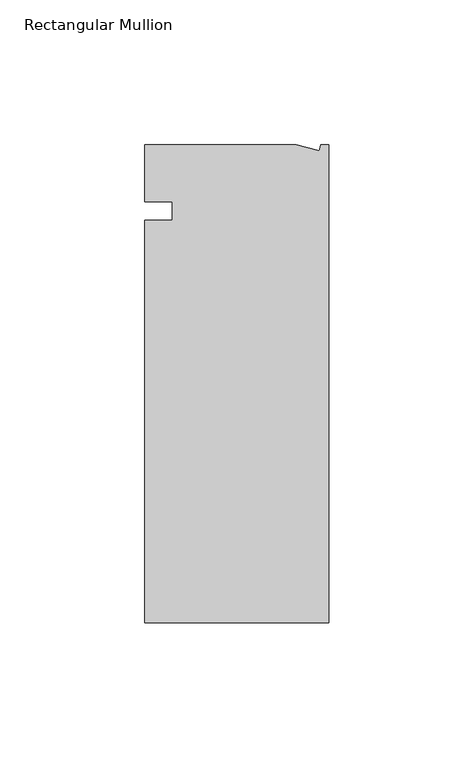
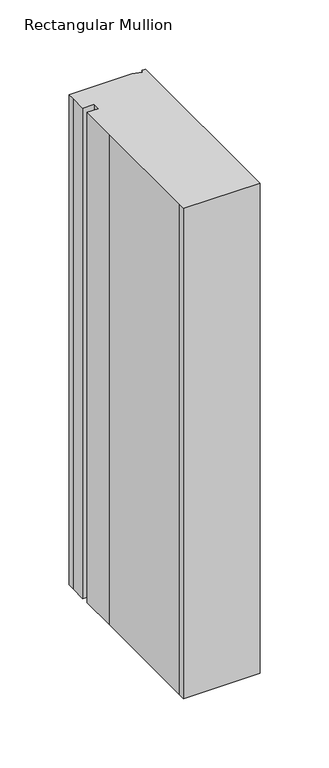
"""IFC4 building model written with IfcOpenShell, lengths in millimetres: member geometry, Rectangular Mullion."""

from ifc_helpers import new_model, si_unit, frame, origin, place, context, project, spatial, polyline, outline, extrude, source, transform, mapped, element, save


def rectangular_mullion_b322f83f(model_context):
    return source(origin(), model_context, "Body", "SweptSolid", [
        extrude(outline(polyline([(-11.1265412, 19.6597595), (-3.3457217, 17.5748952), (-2.787084, 19.6597595), (0.0, 19.6597595), (0.0, -145.4402405), (-63.5, -145.4402405), (-63.5, -139.0912527), (-63.5, -38.3358837), (-63.5, -6.35), (-53.975, -6.35), (-53.975, 0.0), (-63.5, 0.0), (-63.5, 13.6146679), (-63.5, 19.6597595), (-11.1265412, 19.6597595)])), frame((0.0, 0.0, -431.8), z_axis=(0.0, 0.0, 1.0), x_axis=(1.0, 0.0, 0.0)), (0.0, 0.0, 1.0), 431.8),
    ])


if __name__ == "__main__":
    model = new_model("IFC4")
    model_context = context("Model", 3, world=origin())
    ifc_project = project(units=[si_unit("LENGTHUNIT", "METRE", prefix="MILLI")], contexts=[model_context])
    site = spatial("IfcSite", under=ifc_project)
    building = spatial("IfcBuilding", under=site)
    placement = place(None, origin())
    rectangular_mullion_shape = rectangular_mullion_b322f83f(model_context)
    element("IfcMember", 1, ObjectType="Rectangular Mullion", at=placement, inside=building, context=model_context, shape_type="MappedRepresentation", body=[
        mapped(rectangular_mullion_shape, transform((0.0, 0.0, 0.0), x_axis=(1.0, 0.0, 0.0), y_axis=(0.0, 1.0, 0.0), z_axis=(0.0, 0.0, 1.0))),
    ])
    save(model, "model.ifc")
